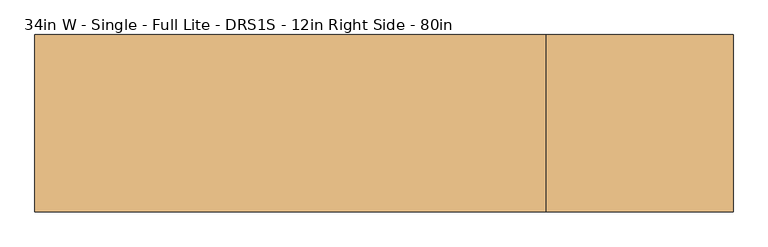
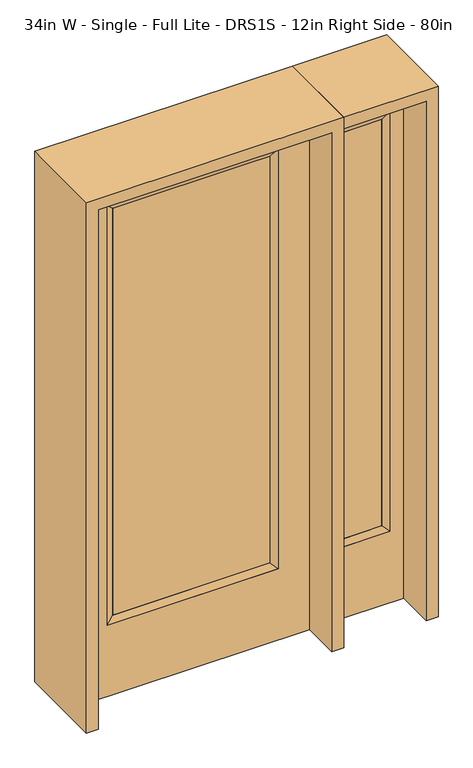
"""IFC4 building model written with IfcOpenShell, lengths in millimetres: door geometry, 34in W - Single - Full Lite - DRS1S - 12in Right Side - 80in."""

from ifc_helpers import new_model, si_unit, frame, origin, place, context, project, spatial, polyline, outline, extrude, faceted_brep, source, transform, mapped, element, save


def door_34in_w_single_full_lite_drs1s_12in_right_side_80in_faf26a20(model_context):
    return source(origin(), model_context, "Body", "SolidModel", [
        extrude(outline(polyline([(290.9824, -12.7039749), (-290.9824, -12.7039749), (-290.9824, 14.2875), (290.9824, 14.2875), (290.9824, -12.7039749)])), frame((0.0, 0.0, 304.8), z_axis=(0.0, 0.0, 1.0), x_axis=(1.0, 0.0, 0.0)), (0.0, 0.0, 1.0), 1591.1576),
        faceted_brep([(290.9824, 14.2875, 1895.9576), (316.3824, 22.225, 1921.3576), (316.3824, 22.225, 279.4), (290.9824, 14.2875, 304.8), (316.3824, -22.225, 1921.3576), (316.3824, -22.225, 279.4), (-316.3824, 22.225, 279.4), (-290.9824, 14.2875, 304.8), (290.9824, -12.7039749, 1895.9576), (290.9824, -12.7039749, 304.8), (-290.9824, -12.7039749, 304.8), (-316.3824, -22.225, 279.4), (-316.3824, 22.225, 1921.3576), (-290.9824, 14.2875, 1895.9576), (-290.9824, -12.7039749, 1895.9576), (-316.3824, -22.225, 1921.3576)], [[[0, 1, 2, 3]], [[1, 4, 5, 2]], [[3, 2, 6, 7]], [[8, 0, 3, 9]], [[9, 3, 7, 10]], [[4, 8, 9, 5]], [[5, 9, 10, 11]], [[2, 5, 11, 6]], [[7, 6, 12, 13]], [[10, 7, 13, 14]], [[11, 10, 14, 15]], [[6, 11, 15, 12]], [[13, 12, 1, 0]], [[14, 13, 0, 8]], [[15, 14, 8, 4]], [[12, 15, 4, 1]]]),
        extrude(outline(polyline([(0.0, -431.8), (0.0, 431.8), (2032.0, 431.8), (2032.0, -431.8), (0.0, -431.8)]), holes=[polyline([(279.4, -316.3824), (1921.3576, -316.3824), (1921.3576, 316.3824), (279.4, 316.3824), (279.4, -316.3824)])]), frame((0.0, -22.225, 0.0), z_axis=(0.0, 1.0, 0.0), x_axis=(0.0, 0.0, 1.0)), (0.0, 0.0, 1.0), 44.45),
        faceted_brep([(527.05, 20.6375, 1920.875), (527.05, 20.6375, 279.4), (527.05, -20.6375, 279.4), (527.05, -20.6375, 1920.875), (552.45, -12.7, 304.8), (552.45, -12.7, 1895.475), (730.25, 20.6375, 279.4), (730.25, -20.6375, 279.4), (552.45, 12.7, 1895.475), (552.45, 12.7, 304.8), (704.85, 12.7, 304.8), (704.85, -12.7, 304.8), (730.25, 20.6375, 1920.875), (730.25, -20.6375, 1920.875), (704.85, 12.7, 1895.475), (704.85, -12.7, 1895.475)], [[[0, 1, 2, 3]], [[3, 2, 4, 5]], [[1, 6, 7, 2]], [[8, 9, 1, 0]], [[9, 10, 6, 1]], [[5, 4, 9, 8]], [[4, 11, 10, 9]], [[2, 7, 11, 4]], [[6, 12, 13, 7]], [[10, 14, 12, 6]], [[11, 15, 14, 10]], [[7, 13, 15, 11]], [[12, 0, 3, 13]], [[14, 8, 0, 12]], [[15, 5, 8, 14]], [[13, 3, 5, 15]]]),
        extrude(outline(polyline([(0.0, 781.05), (2032.0, 781.05), (2032.0, 476.25), (0.0, 476.25), (0.0, 781.05)]), holes=[polyline([(1920.875, 527.05), (1920.875, 730.25), (279.4, 730.25), (279.4, 527.05), (1920.875, 527.05)])]), frame((0.0, -20.6375, 0.0), z_axis=(0.0, 1.0, 0.0), x_axis=(0.0, 0.0, 1.0)), (0.0, 0.0, 1.0), 41.275),
        extrude(outline(polyline([(552.45, -12.7), (552.45, 12.7), (704.85, 12.7), (704.85, -12.7), (552.45, -12.7)])), frame((0.0, 0.0, 304.8), z_axis=(0.0, 0.0, 1.0), x_axis=(1.0, 0.0, 0.0)), (0.0, 0.0, 1.0), 1590.675),
        extrude(outline(polyline([(2076.45, -476.25), (0.0, -476.25), (0.0, -431.8), (2032.0, -431.8), (2032.0, 431.8), (0.0, 431.8), (0.0, 476.25), (2076.45, 476.25), (2076.45, -476.25)])), frame((0.0, -165.1, 0.0), z_axis=(0.0, 1.0, 0.0), x_axis=(0.0, 0.0, 1.0)), (0.0, 0.0, 1.0), 330.2),
        extrude(outline(polyline([(0.0, 781.05), (0.0, 825.5), (2076.45, 825.5), (2076.45, 476.25), (2032.0, 476.25), (2032.0, 781.05), (0.0, 781.05)])), frame((0.0, -165.1, 0.0), z_axis=(0.0, 1.0, 0.0), x_axis=(0.0, 0.0, 1.0)), (0.0, 0.0, 1.0), 330.2),
    ])


if __name__ == "__main__":
    model = new_model("IFC4")
    model_context = context("Model", 3, world=origin())
    ifc_project = project(units=[si_unit("LENGTHUNIT", "METRE", prefix="MILLI")], contexts=[model_context])
    site = spatial("IfcSite", under=ifc_project)
    building = spatial("IfcBuilding", under=site)
    placement = place(None, origin())
    door_34in_w_single_full_lite_drs1s_12in_right_side_80in_shape = door_34in_w_single_full_lite_drs1s_12in_right_side_80in_faf26a20(model_context)
    element("IfcDoor", 1, ObjectType="34in W - Single - Full Lite - DRS1S - 12in Right Side - 80in", at=placement, inside=building, context=model_context, shape_type="MappedRepresentation", body=[
        mapped(door_34in_w_single_full_lite_drs1s_12in_right_side_80in_shape, transform((0.0, 0.0, 0.0), x_axis=(1.0, 0.0, 0.0), y_axis=(0.0, 1.0, 0.0), z_axis=(0.0, 0.0, 1.0))),
    ])
    save(model, "model.ifc")
